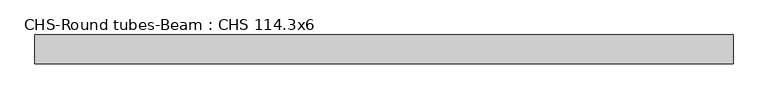
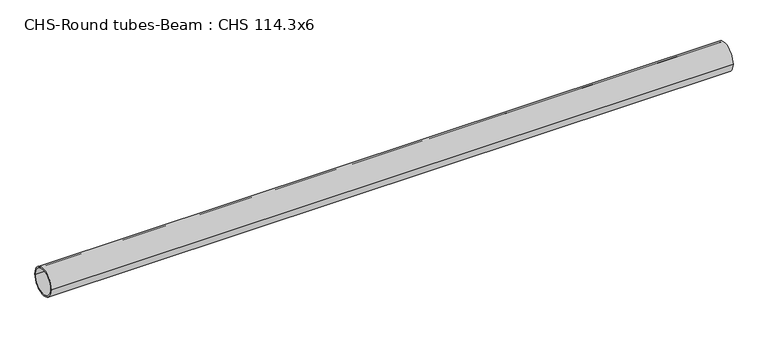
"""IFC4 building model written with IfcOpenShell, lengths in millimetres: beam geometry, CHS-Round tubes-Beam : CHS 114.3x6."""

import ifcopenshell
import ifcopenshell.guid

model = None  # the IFC model being written
_history = None  # IfcOwnerHistory: only IFC2X3 demands one
_inside = {}  # id of a spatial element -> (the spatial element, [elements in it])
_under = {}  # id of a project, library or spatial element -> (it, [spatial elements below it])
_declared = {}  # id of a project -> (the project, [libraries it declares])
_typed = {}  # id of a type object -> (the type object, [elements of that type])
_made_of = {}  # id of a material, layer set ... -> (it, [elements and type objects made of it])


def new_model(schema):
    """Start an empty IFC model of exactly this schema.

    Asked for "IFC4X3", IfcOpenShell would pick the latest addendum, in which some entities
    have other attributes; the version numbers below select the first issue.
    IFC2X3 requires an IfcOwnerHistory on every rooted entity: one is made here for all.
    """
    global model, _history
    if schema == "IFC4X3":
        model = ifcopenshell.file(schema_version=(4, 3, 0, 0))
    else:
        model = ifcopenshell.file(schema=schema)
    _inside.clear()
    _under.clear()
    _declared.clear()
    _typed.clear()
    _made_of.clear()
    _history = None
    if model.schema == "IFC2X3":
        org = make("IfcOrganization", Name="unknown")
        user = make(
            "IfcPersonAndOrganization",
            ThePerson=make("IfcPerson", FamilyName="unknown"),
            TheOrganization=org,
        )
        app = make(
            "IfcApplication",
            ApplicationDeveloper=org,
            Version="unknown",
            ApplicationFullName="unknown",
            ApplicationIdentifier="unknown",
        )
        _history = make(
            "IfcOwnerHistory",
            OwningUser=user,
            OwningApplication=app,
            ChangeAction="ADDED",
            CreationDate=0,
        )
    return model


def make(cls, **values):
    """One entity of the class cls with the attributes given. An attribute that is None is left unset."""
    return model.create_entity(
        cls, **{name: value for name, value in values.items() if value is not None}
    )


def rooted(cls, **values):
    """An entity with a GlobalId (a new one), such as an element, a storey or a relation."""
    return make(cls, GlobalId=ifcopenshell.guid.new(), OwnerHistory=_history, **values)


def si_unit(unit_type, name, prefix=None):
    """IfcSIUnit, for example si_unit("LENGTHUNIT", "METRE", prefix="MILLI")."""
    return make("IfcSIUnit", UnitType=unit_type, Prefix=prefix, Name=name)


def assignment(units):
    """IfcUnitAssignment: the units of a project."""
    return None if units is None else make("IfcUnitAssignment", Units=units)


def point(xyz):
    """IfcCartesianPoint."""
    return None if xyz is None else make("IfcCartesianPoint", Coordinates=xyz)


def direction(xyz):
    """IfcDirection."""
    return None if xyz is None else make("IfcDirection", DirectionRatios=xyz)


def frame(location, z_axis=None, x_axis=None):
    """IfcAxis2Placement3D, a coordinate frame: its origin and axes. An axis left out is left unset."""
    return make(
        "IfcAxis2Placement3D",
        Location=point(location),
        Axis=direction(z_axis),
        RefDirection=direction(x_axis),
    )


def frame_2d(location, x_axis=None):
    """IfcAxis2Placement2D, a coordinate frame in the plane: its origin and x axis."""
    return make(
        "IfcAxis2Placement2D", Location=point(location), RefDirection=direction(x_axis)
    )


def origin():
    """The frame at (0, 0, 0) with its axes left unset."""
    return frame((0.0, 0.0, 0.0))


def origin_2d():
    """The frame at (0, 0) in the plane with its x axis left unset."""
    return frame_2d((0.0, 0.0))


def place(relative_to, where):
    """IfcLocalPlacement: puts the frame where relative to a parent placement (None: the world)."""
    return make(
        "IfcLocalPlacement", PlacementRelTo=relative_to, RelativePlacement=where
    )


def context(
    kind, dimensions, precision=None, world=None, true_north=None, identifier=None
):
    """IfcGeometricRepresentationContext, for example the 3D "Model" context."""
    return make(
        "IfcGeometricRepresentationContext",
        ContextIdentifier=identifier,
        ContextType=kind,
        CoordinateSpaceDimension=dimensions,
        Precision=precision,
        WorldCoordinateSystem=world,
        TrueNorth=true_north,
    )


def project(units=None, contexts=None):
    """IfcProject with its units and contexts."""
    return rooted(
        "IfcProject",
        Name="project",
        RepresentationContexts=contexts,
        UnitsInContext=assignment(units),
    )


def spatial(cls, under=None, at=None, **own):
    """A site, building, storey or space (cls), placed at a placement, below another one or the project."""
    s = rooted(cls, ObjectPlacement=at, **own)
    if under is not None:
        _under.setdefault(under.id(), (under, []))[1].append(s)
    return s


def circle_curve(where, radius):
    """IfcCircle in the frame where."""
    return make("IfcCircle", Position=where, Radius=radius)


def trimmed(basis, trim1, trim2, sense, master):
    """IfcTrimmedCurve: the piece of a basis curve between two trims."""
    return make(
        "IfcTrimmedCurve",
        BasisCurve=basis,
        Trim1=trim1,
        Trim2=trim2,
        SenseAgreement=sense,
        MasterRepresentation=master,
    )


def segment(curve, same_sense, transition):
    """IfcCompositeCurveSegment."""
    return make(
        "IfcCompositeCurveSegment",
        Transition=transition,
        SameSense=same_sense,
        ParentCurve=curve,
    )


def composite_curve(segments, self_intersect=None):
    """IfcCompositeCurve: segments joined end to end."""
    return make("IfcCompositeCurve", Segments=segments, SelfIntersect=self_intersect)


def outline(outer, holes=None, kind="AREA"):
    """IfcArbitraryClosedProfileDef: a profile drawn as a closed curve; with holes, ...WithVoids."""
    if holes is None:
        return make("IfcArbitraryClosedProfileDef", ProfileType=kind, OuterCurve=outer)
    return make(
        "IfcArbitraryProfileDefWithVoids",
        ProfileType=kind,
        OuterCurve=outer,
        InnerCurves=holes,
    )


def extrude(swept, where, along, depth):
    """IfcExtrudedAreaSolid: the profile swept, set in the frame where, extruded along a direction by depth."""
    return make(
        "IfcExtrudedAreaSolid",
        SweptArea=swept,
        Position=where,
        ExtrudedDirection=direction(along),
        Depth=depth,
    )


def shape(context_of_items, identifier, shape_type, items):
    """IfcShapeRepresentation: the items that make up one representation, for example the "Body"."""
    return make(
        "IfcShapeRepresentation",
        ContextOfItems=context_of_items,
        RepresentationIdentifier=identifier,
        RepresentationType=shape_type,
        Items=items,
    )


def source(mapping_origin, context_of_items, identifier, shape_type, items):
    """IfcRepresentationMap: a shape defined once, which mapped items show again and again."""
    return make(
        "IfcRepresentationMap",
        MappingOrigin=mapping_origin,
        MappedRepresentation=shape(context_of_items, identifier, shape_type, items),
    )


def transform(
    local_origin,
    x_axis=None,
    y_axis=None,
    z_axis=None,
    scale=None,
    scale2=None,
    scale3=None,
    uniform=True,
):
    """IfcCartesianTransformationOperator3D, or its non-uniform kind. x_axis, y_axis, z_axis: its Axis1, 2, 3."""
    if uniform:
        return make(
            "IfcCartesianTransformationOperator3D",
            Axis1=direction(x_axis),
            Axis2=direction(y_axis),
            LocalOrigin=point(local_origin),
            Scale=scale,
            Axis3=direction(z_axis),
        )
    return make(
        "IfcCartesianTransformationOperator3DnonUniform",
        Axis1=direction(x_axis),
        Axis2=direction(y_axis),
        LocalOrigin=point(local_origin),
        Scale=scale,
        Axis3=direction(z_axis),
        Scale2=scale2,
        Scale3=scale3,
    )


def mapped(mapping_source, mapping_target):
    """IfcMappedItem: shows the shape of a source again, moved by a transform."""
    return make(
        "IfcMappedItem", MappingSource=mapping_source, MappingTarget=mapping_target
    )


def made_of(thing, what):
    """Note that an element or type object is made of a material, layer set ...; save() writes the relation."""
    if what is not None:
        _made_of.setdefault(what.id(), (what, []))[1].append(thing)
    return thing


def element(
    cls,
    number,
    at=None,
    inside=None,
    cuts=None,
    type_object=None,
    material=None,
    context=None,
    identifier="Body",
    shape_type=None,
    held_by="IfcProductDefinitionShape",
    body=None,
    shapes=None,
    **own,
):
    """One element of the class cls, such as IfcWall. Its Tag is "e" and its number.

    at: its placement. inside: the storey or other place that contains it. cuts: it is an
    opening in that element (IfcRelVoidsElement). A single representation is given by context,
    identifier, shape_type and body (its items); several are given by shapes. held_by: the class
    of the entity that holds the representations. save() writes the other relations.
    """
    e = rooted(cls, Tag="e%d" % number, ObjectPlacement=at, **own)
    if body is not None:
        shapes = [shape(context, identifier, shape_type, body)]
    if shapes is not None:
        e.Representation = make(held_by, Representations=shapes)
    if inside is not None:
        _inside.setdefault(inside.id(), (inside, []))[1].append(e)
    if cuts is not None:
        rooted(
            "IfcRelVoidsElement", RelatingBuildingElement=cuts, RelatedOpeningElement=e
        )
    if type_object is not None:
        _typed.setdefault(type_object.id(), (type_object, []))[1].append(e)
    return made_of(e, material)


def aggregate(whole, parts):
    """IfcRelAggregates: a whole, such as a stair, and the parts it consists of."""
    return rooted("IfcRelAggregates", RelatingObject=whole, RelatedObjects=parts)


def save(model, path):
    """Write the relations noted so far, then the file.

    IfcRelAggregates (storeys below a building ...), IfcRelContainedInSpatialStructure (elements
    in a storey), IfcRelDefinesByType, IfcRelAssociatesMaterial and IfcRelDeclares: one each for
    every whole, place, type object, material and project.
    """
    for whole, parts in _under.values():
        aggregate(whole, parts)
    for where, things in _inside.values():
        rooted(
            "IfcRelContainedInSpatialStructure",
            RelatedElements=things,
            RelatingStructure=where,
        )
    for kind, things in _typed.values():
        rooted("IfcRelDefinesByType", RelatedObjects=things, RelatingType=kind)
    for what, things in _made_of.values():
        rooted("IfcRelAssociatesMaterial", RelatedObjects=things, RelatingMaterial=what)
    for by, libraries in _declared.values():
        rooted("IfcRelDeclares", RelatingContext=by, RelatedDefinitions=libraries)
    model.write(path)


def chs_round_tubes_beam_chs_114_3x6_e4be3658(model_context):
    return source(origin(), model_context, "Body", "SweptSolid", [
        extrude(outline(composite_curve([segment(trimmed(circle_curve(origin_2d(), 57.15), [point((57.15, 0.0))], [point((-57.15, 0.0))], False, "CARTESIAN"), True, "CONTINUOUS"), segment(trimmed(circle_curve(origin_2d(), 57.15), [point((-57.15, 0.0))], [point((57.15, 0.0))], False, "CARTESIAN"), True, "CONTINUOUS")], self_intersect=False), holes=[composite_curve([segment(trimmed(circle_curve(origin_2d(), 51.15), [point((51.15, 0.0))], [point((-51.15, 0.0))], True, "CARTESIAN"), True, "CONTINUOUS"), segment(trimmed(circle_curve(origin_2d(), 51.15), [point((-51.15, 0.0))], [point((51.15, 0.0))], True, "CARTESIAN"), True, "CONTINUOUS")], self_intersect=False)]), frame((-1310.5732913, 0.0, 0.0), z_axis=(1.0, 0.0, 0.0), x_axis=(0.0, 1.0, 0.0)), (0.0, 0.0, 1.0), 2766.5266919),
    ])


if __name__ == "__main__":
    model = new_model("IFC4")
    model_context = context("Model", 3, world=origin())
    ifc_project = project(units=[si_unit("LENGTHUNIT", "METRE", prefix="MILLI")], contexts=[model_context])
    site = spatial("IfcSite", under=ifc_project)
    building = spatial("IfcBuilding", under=site)
    placement = place(None, origin())
    chs_round_tubes_beam_chs_114_3x6_shape = chs_round_tubes_beam_chs_114_3x6_e4be3658(model_context)
    element("IfcBeam", 1, ObjectType="CHS-Round tubes-Beam : CHS 114.3x6", at=placement, inside=building, context=model_context, shape_type="MappedRepresentation", body=[
        mapped(chs_round_tubes_beam_chs_114_3x6_shape, transform((0.0, 0.0, 0.0), x_axis=(1.0, 0.0, 0.0), y_axis=(0.0, 1.0, 0.0), z_axis=(0.0, 0.0, 1.0))),
    ])
    save(model, "model.ifc")
